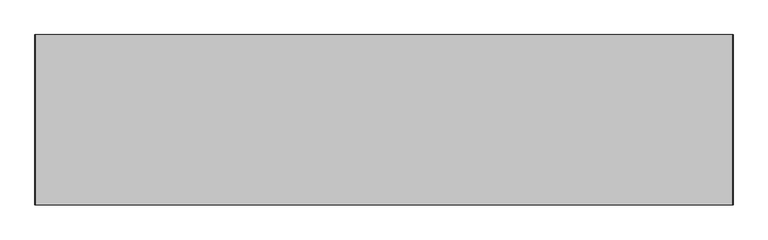
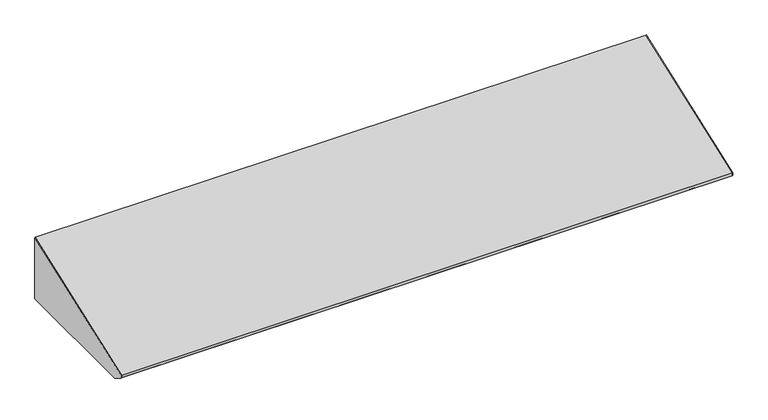
"""IFC4 building model written with IfcOpenShell, lengths in millimetres: furniture geometry."""

from ifc_helpers import new_model, si_unit, frame, origin, place, context, project, spatial, polyline, outline, extrude, source, transform, mapped, element, save


def furniture_cfd9fdeb(model_context):
    return source(origin(), model_context, "Body", "SweptSolid", [
        extrude(outline(polyline([(-21.75256, 2250.2949351), (-21.75256, 2120.9), (-297.3953187, 2120.9), (-319.23736, 2134.7311416), (-319.23736, 2140.8533922), (-21.75256, 2250.2949351)])), frame((627.5439549, 0.0, 0.0), z_axis=(1.0, 0.0, 0.0), x_axis=(0.0, 1.0, 0.0)), (0.0, 0.0, 1.0), 0.79375),
        extrude(outline(polyline([(-21.75256, 2120.9), (-297.3953187, 2120.9), (-319.23736, 2134.7311416), (-319.23736, 2140.8533922), (-21.75256, 2250.2949351), (-21.75256, 2120.9)])), frame((-590.8622951, 0.0, 0.0), z_axis=(1.0, 0.0, 0.0), x_axis=(0.0, 1.0, 0.0)), (0.0, 0.0, 1.0), 0.79375),
        extrude(outline(polyline([(609.288502, -284.6953187), (609.288502, -97.8702473), (627.5439549, -97.8702473), (627.5439549, -284.6953187), (609.288502, -284.6953187)])), frame((0.0, 0.0, 2120.9), z_axis=(0.0, 0.0, 1.0), x_axis=(1.0, 0.0, 0.0)), (0.0, 0.0, 1.0), 0.79375),
        extrude(outline(polyline([(-21.75256, 2120.9), (-97.5295544, 2120.9), (-97.5295544, 2121.69375), (-22.54631, 2121.69375), (-22.54631, 2235.7852789), (-21.75256, 2235.7852789), (-21.75256, 2120.9)])), frame((616.9081836, 0.0, 0.0), z_axis=(1.0, 0.0, 0.0), x_axis=(0.0, 1.0, 0.0)), (0.0, 0.0, 1.0), 10.6357713),
        extrude(outline(polyline([(-21.75256, 2120.9), (-97.5295544, 2120.9), (-97.5295544, 2121.69375), (-22.54631, 2121.69375), (-22.54631, 2235.7852789), (-21.75256, 2235.7852789), (-21.75256, 2120.9)])), frame((-590.0685451, 0.0, 0.0), z_axis=(1.0, 0.0, 0.0), x_axis=(0.0, 1.0, 0.0)), (0.0, 0.0, 1.0), 10.6357713),
        extrude(outline(polyline([(-590.0685451, -284.6953187), (-590.0685451, -97.8702473), (-571.8130922, -97.8702473), (-571.8130922, -284.6953187), (-590.0685451, -284.6953187)])), frame((0.0, 0.0, 2120.9), z_axis=(0.0, 0.0, 1.0), x_axis=(1.0, 0.0, 0.0)), (0.0, 0.0, 1.0), 0.79375),
        extrude(outline(polyline([(-319.23736, 2140.8533922), (-21.75256, 2250.2949351), (-21.75256, 2235.7852789), (-22.54631, 2235.7852789), (-22.54631, 2249.1586809), (-318.44361, 2140.2989044), (-318.44361, 2135.1680199), (-221.2358067, 2121.69375), (-284.6953187, 2121.69375), (-284.6953187, 2120.9), (-297.3953187, 2120.9), (-319.23736, 2134.7311416), (-319.23736, 2140.8533922)])), frame((-590.0685451, 0.0, 0.0), z_axis=(1.0, 0.0, 0.0), x_axis=(0.0, 1.0, 0.0)), (0.0, 0.0, 1.0), 1217.6125),
    ])


if __name__ == "__main__":
    model = new_model("IFC4")
    model_context = context("Model", 3, world=origin())
    ifc_project = project(units=[si_unit("LENGTHUNIT", "METRE", prefix="MILLI")], contexts=[model_context])
    site = spatial("IfcSite", under=ifc_project)
    building = spatial("IfcBuilding", under=site)
    placement = place(None, origin())
    furniture_shape = furniture_cfd9fdeb(model_context)
    element("IfcFurniture", 1, at=placement, inside=building, context=model_context, shape_type="MappedRepresentation", body=[
        mapped(furniture_shape, transform((0.0, 0.0, 0.0), x_axis=(1.0, 0.0, 0.0), y_axis=(0.0, 1.0, 0.0), z_axis=(0.0, 0.0, 1.0))),
    ])
    save(model, "model.ifc")
